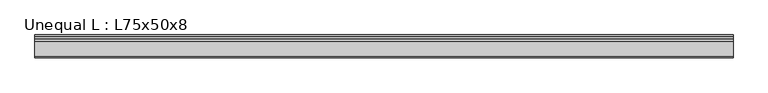
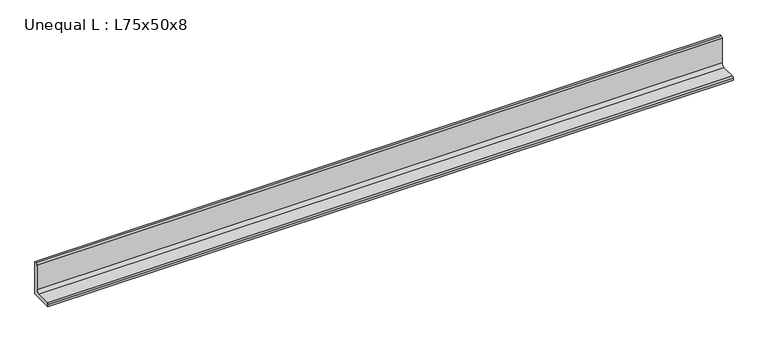
"""IFC4 building model written with IfcOpenShell, lengths in millimetres: beam geometry, Unequal L : L75x50x8."""

from ifc_helpers import new_model, si_unit, point, frame, frame_2d, origin, place, context, project, spatial, polyline, circle_curve, trimmed, segment, composite_curve, outline, extrude, source, transform, mapped, element, save


def unequal_l_l75x50x8_698ae402(model_context):
    return source(origin(), model_context, "Body", "SweptSolid", [
        extrude(outline(composite_curve([segment(polyline([(12.9, -25.2), (-37.1, -25.2), (-37.1, -20.7)]), True, "CONTINUOUS"), segment(trimmed(circle_curve(frame_2d((-33.6, -20.7)), 3.5), [point((-37.1, -20.7))], [point((-33.6, -17.2))], False, "CARTESIAN"), True, "CONTINUOUS"), segment(polyline([(-33.6, -17.2), (-2.1, -17.2)]), True, "CONTINUOUS"), segment(trimmed(circle_curve(frame_2d((-2.1, -10.2)), 7.0), [point((-2.1, -17.2))], [point((4.9, -10.2))], True, "CARTESIAN"), True, "CONTINUOUS"), segment(polyline([(4.9, -10.2), (4.9, 46.3)]), True, "CONTINUOUS"), segment(trimmed(circle_curve(frame_2d((8.4, 46.3)), 3.5), [point((4.9, 46.3))], [point((8.4, 49.8))], False, "CARTESIAN"), True, "CONTINUOUS"), segment(polyline([(8.4, 49.8), (12.9, 49.8), (12.9, -25.2)]), True, "CONTINUOUS")], self_intersect=False)), frame((-806.4999775, 0.0, 0.0), z_axis=(1.0, 0.0, 0.0), x_axis=(0.0, 1.0, 0.0)), (0.0, 0.0, 1.0), 1512.9999998),
    ])


if __name__ == "__main__":
    model = new_model("IFC4")
    model_context = context("Model", 3, world=origin())
    ifc_project = project(units=[si_unit("LENGTHUNIT", "METRE", prefix="MILLI")], contexts=[model_context])
    site = spatial("IfcSite", under=ifc_project)
    building = spatial("IfcBuilding", under=site)
    placement = place(None, origin())
    unequal_l_l75x50x8_shape = unequal_l_l75x50x8_698ae402(model_context)
    element("IfcBeam", 1, ObjectType="Unequal L : L75x50x8", at=placement, inside=building, context=model_context, shape_type="MappedRepresentation", body=[
        mapped(unequal_l_l75x50x8_shape, transform((0.0, 0.0, 0.0), x_axis=(1.0, 0.0, 0.0), y_axis=(0.0, 1.0, 0.0), z_axis=(0.0, 0.0, 1.0))),
    ])
    save(model, "model.ifc")
